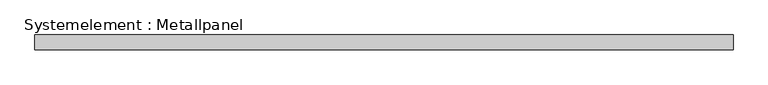
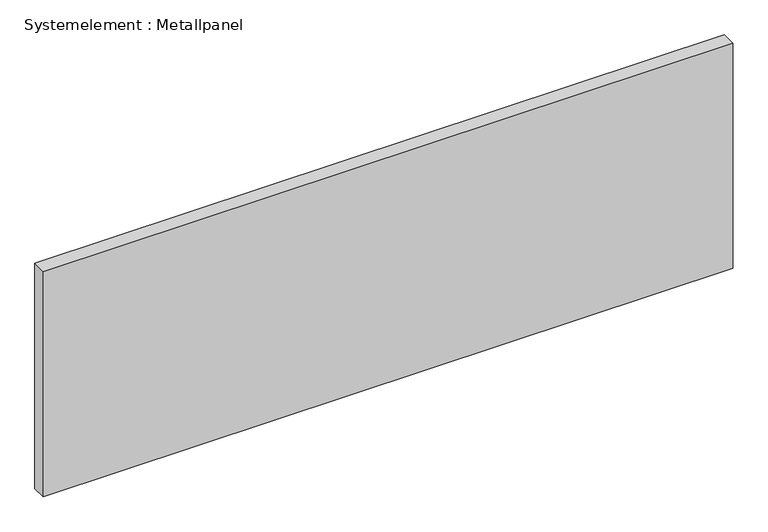
"""IFC4 building model written with IfcOpenShell, lengths in millimetres: plate geometry, Systemelement : Metallpanel."""

from ifc_helpers import new_model, si_unit, origin, origin_with_axes, place, context, project, spatial, polyline, outline, extrude, source, transform, mapped, element, save


def systemelement_metallpanel_3ad6f9fa(model_context):
    return source(origin(), model_context, "Body", "SweptSolid", [
        extrude(outline(polyline([(709.8201191, -15.0), (-709.8201191, -15.0), (-709.8201191, 15.0), (709.8201191, 15.0), (709.8201191, -15.0)])), origin_with_axes(), (0.0, 0.0, 1.0), 490.0),
    ])


if __name__ == "__main__":
    model = new_model("IFC4")
    model_context = context("Model", 3, world=origin())
    ifc_project = project(units=[si_unit("LENGTHUNIT", "METRE", prefix="MILLI")], contexts=[model_context])
    site = spatial("IfcSite", under=ifc_project)
    building = spatial("IfcBuilding", under=site)
    placement = place(None, origin())
    systemelement_metallpanel_shape = systemelement_metallpanel_3ad6f9fa(model_context)
    element("IfcPlate", 1, ObjectType="Systemelement : Metallpanel", at=placement, inside=building, context=model_context, shape_type="MappedRepresentation", body=[
        mapped(systemelement_metallpanel_shape, transform((0.0, 0.0, 0.0), x_axis=(1.0, 0.0, 0.0), y_axis=(0.0, 1.0, 0.0), z_axis=(0.0, 0.0, 1.0))),
    ])
    save(model, "model.ifc")
